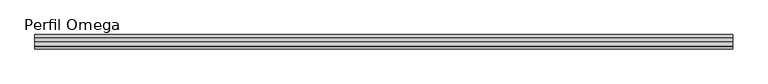
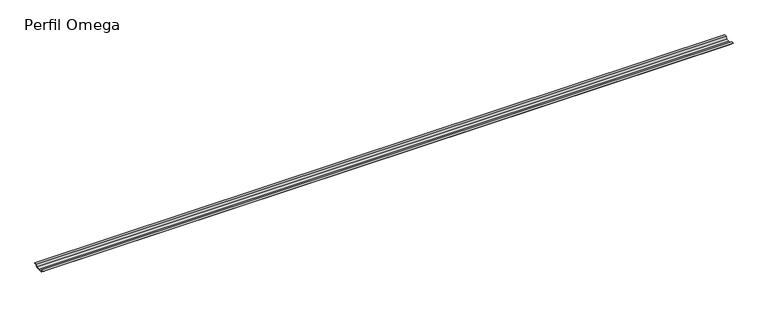
"""IFC4 building model written with IfcOpenShell, lengths in millimetres: proxy geometry, Perfil Omega."""

from ifc_helpers import new_model, si_unit, frame, origin, place, context, project, spatial, polyline, outline, extrude, source, transform, mapped, element, save


def perfil_omega_27304e36(model_context):
    return source(origin(), model_context, "Body", "SweptSolid", [
        extrude(outline(polyline([(-25.0, -17.0), (-26.5, -2.4), (-41.4, -2.4), (-41.4, -1.4), (-25.5974759, -1.4), (-24.0974759, -16.0), (0.0, -16.0), (24.0974759, -16.0), (25.5974759, -1.4), (41.4, -1.4), (41.4, -2.4), (26.5, -2.4), (25.0, -17.0), (0.0, -17.0), (-25.0, -17.0)])), frame((0.0, 0.0, 0.0), z_axis=(1.0, 0.0, 0.0), x_axis=(0.0, 1.0, 0.0)), (0.0, 0.0, 1.0), 4000.0),
    ])


if __name__ == "__main__":
    model = new_model("IFC4")
    model_context = context("Model", 3, world=origin())
    ifc_project = project(units=[si_unit("LENGTHUNIT", "METRE", prefix="MILLI")], contexts=[model_context])
    site = spatial("IfcSite", under=ifc_project)
    building = spatial("IfcBuilding", under=site)
    placement = place(None, origin())
    perfil_omega_shape = perfil_omega_27304e36(model_context)
    element("IfcBuildingElementProxy", 1, Name="Perfil Omega", ObjectType="Perfil Omega", at=placement, inside=building, context=model_context, shape_type="MappedRepresentation", body=[
        mapped(perfil_omega_shape, transform((0.0, 0.0, 0.0), x_axis=(1.0, 0.0, 0.0), y_axis=(0.0, 1.0, 0.0), z_axis=(0.0, 0.0, 1.0))),
    ])
    save(model, "model.ifc")
